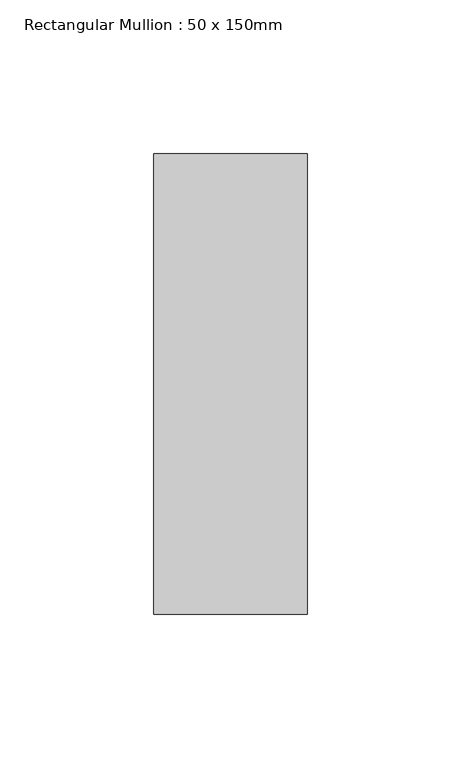
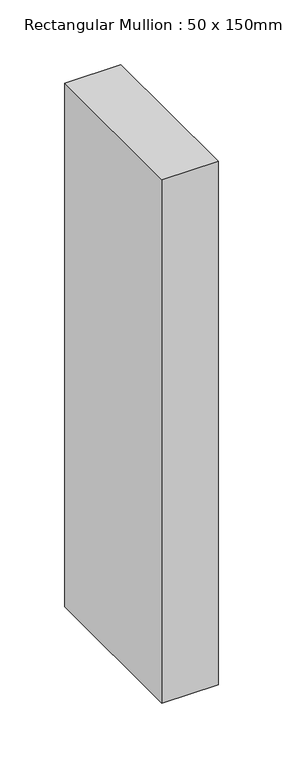
"""IFC4 building model written with IfcOpenShell, lengths in millimetres: member geometry, Rectangular Mullion : 50 x 150mm."""

from ifc_helpers import new_model, si_unit, frame, origin, place, context, project, spatial, polyline, outline, extrude, source, transform, mapped, element, save


def rectangular_mullion_50_x_150mm_07b92066(model_context):
    return source(origin(), model_context, "Body", "SweptSolid", [
        extrude(outline(polyline([(0.0, 75.0), (0.0, -75.0), (-50.0, -75.0), (-50.0, 75.0), (0.0, 75.0)])), frame((0.0, 0.0, -493.0397979), z_axis=(0.0, 0.0, 1.0), x_axis=(1.0, 0.0, 0.0)), (0.0, 0.0, 1.0), 493.0397979),
    ])


if __name__ == "__main__":
    model = new_model("IFC4")
    model_context = context("Model", 3, world=origin())
    ifc_project = project(units=[si_unit("LENGTHUNIT", "METRE", prefix="MILLI")], contexts=[model_context])
    site = spatial("IfcSite", under=ifc_project)
    building = spatial("IfcBuilding", under=site)
    placement = place(None, origin())
    rectangular_mullion_50_x_150mm_shape = rectangular_mullion_50_x_150mm_07b92066(model_context)
    element("IfcMember", 1, ObjectType="Rectangular Mullion : 50 x 150mm", at=placement, inside=building, context=model_context, shape_type="MappedRepresentation", body=[
        mapped(rectangular_mullion_50_x_150mm_shape, transform((0.0, 0.0, 0.0), x_axis=(1.0, 0.0, 0.0), y_axis=(0.0, 1.0, 0.0), z_axis=(0.0, 0.0, 1.0))),
    ])
    save(model, "model.ifc")
